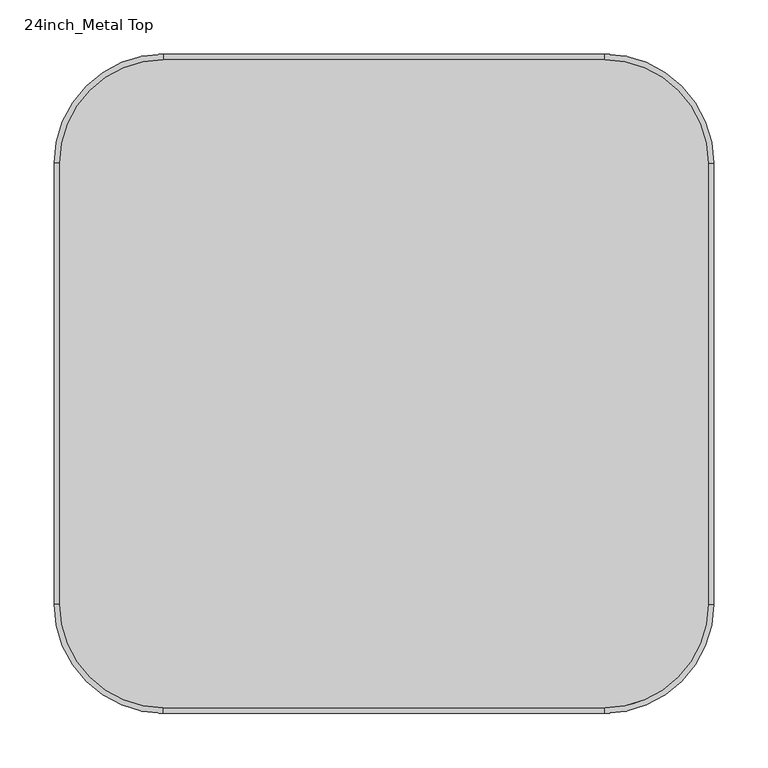
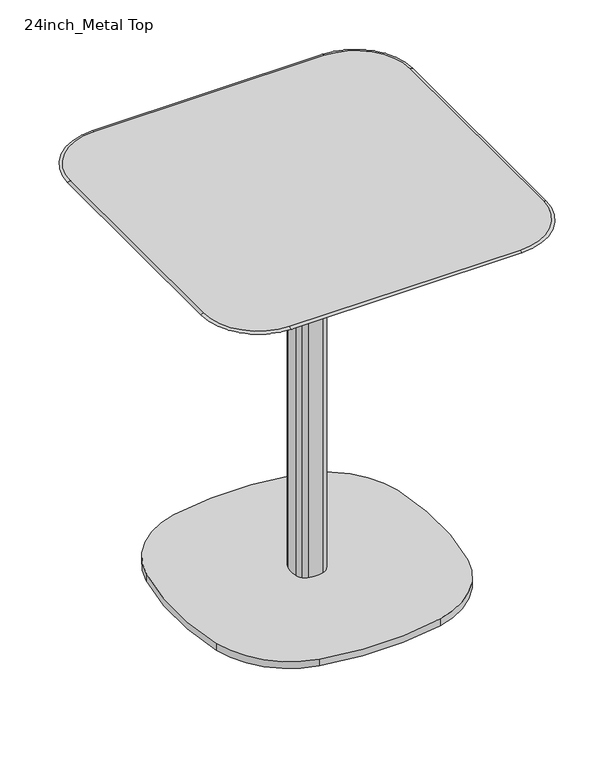
"""IFC4 building model written with IfcOpenShell, lengths in millimetres: furniture geometry, 24inch_Metal Top."""

from ifc_helpers import new_model, si_unit, point, frame, frame_2d, origin, origin_with_axes, place, context, project, spatial, polyline, circle_curve, ellipse_curve, trimmed, segment, composite_curve, outline, extrude, source, transform, mapped, element, save
from ifc_brep_helpers import plane_surface, cylinder_surface, revolved_surface, extruded_surface, advanced_brep


def furniture_24inch_metal_top_91e248c7(model_context):
    return source(origin(), model_context, "Body", "SolidModel", [
        extrude(outline(composite_curve([segment(trimmed(circle_curve(frame_2d((-70.0356851, 70.0293903)), 127.2377099), [point((-108.1503319, 191.4242359))], [point((-191.4305627, 108.1439351))], True, "CARTESIAN"), True, "CONTINUOUS"), segment(trimmed(circle_curve(frame_2d((-199.7825881, 110.7662339)), 8.7540151), [point((-191.4305627, 108.1439351))], [point((-208.1310524, 113.3998483))], False, "CARTESIAN"), True, "CONTINUOUS"), segment(trimmed(circle_curve(frame_2d((-69.7533973, 69.7471027)), 145.0997506), [point((-208.1310524, 113.3998483))], [point((-113.4062592, 208.1247211))], False, "CARTESIAN"), True, "CONTINUOUS"), segment(trimmed(circle_curve(frame_2d((-110.7726378, 199.7762591)), 8.7540151), [point((-113.4062592, 208.1247211))], [point((-108.1503319, 191.4242359))], False, "CARTESIAN"), True, "CONTINUOUS")], self_intersect=False)), origin_with_axes(), (0.0, 0.0, 1.0), 6.35),
        extrude(outline(composite_curve([segment(trimmed(circle_curve(frame_2d((110.7726378, 199.7762591)), 8.7540151), [point((108.1503319, 191.4242359))], [point((113.4062592, 208.1247211))], False, "CARTESIAN"), True, "CONTINUOUS"), segment(trimmed(circle_curve(frame_2d((69.7533973, 69.7471027)), 145.0997506), [point((113.4062592, 208.1247211))], [point((208.1310524, 113.3998483))], False, "CARTESIAN"), True, "CONTINUOUS"), segment(trimmed(circle_curve(frame_2d((199.7825881, 110.7662339)), 8.7540151), [point((208.1310524, 113.3998483))], [point((191.4305627, 108.1439351))], False, "CARTESIAN"), True, "CONTINUOUS"), segment(trimmed(circle_curve(frame_2d((70.0356851, 70.0293903)), 127.2377099), [point((191.4305627, 108.1439351))], [point((108.1503319, 191.4242359))], True, "CARTESIAN"), True, "CONTINUOUS")], self_intersect=False)), origin_with_axes(), (0.0, 0.0, 1.0), 6.35),
        extrude(outline(composite_curve([segment(trimmed(circle_curve(frame_2d((-110.7726378, -199.7762591)), 8.7540151), [point((-108.1503319, -191.4242359))], [point((-113.4062592, -208.1247211))], False, "CARTESIAN"), True, "CONTINUOUS"), segment(trimmed(circle_curve(frame_2d((-69.7533973, -69.7471027)), 145.0997506), [point((-113.4062592, -208.1247211))], [point((-208.1310524, -113.3998483))], False, "CARTESIAN"), True, "CONTINUOUS"), segment(trimmed(circle_curve(frame_2d((-199.7825881, -110.7662339)), 8.7540151), [point((-208.1310524, -113.3998483))], [point((-191.4305627, -108.1439351))], False, "CARTESIAN"), True, "CONTINUOUS"), segment(trimmed(circle_curve(frame_2d((-70.0356851, -70.0293903)), 127.2377099), [point((-191.4305627, -108.1439351))], [point((-108.1503319, -191.4242359))], True, "CARTESIAN"), True, "CONTINUOUS")], self_intersect=False)), origin_with_axes(), (0.0, 0.0, 1.0), 6.35),
        extrude(outline(composite_curve([segment(trimmed(circle_curve(frame_2d((70.0356851, -70.0293903)), 127.2377099), [point((108.1503319, -191.4242359))], [point((191.4305627, -108.1439351))], True, "CARTESIAN"), True, "CONTINUOUS"), segment(trimmed(circle_curve(frame_2d((199.7825881, -110.7662339)), 8.7540151), [point((191.4305627, -108.1439351))], [point((208.1310524, -113.3998483))], False, "CARTESIAN"), True, "CONTINUOUS"), segment(trimmed(circle_curve(frame_2d((69.7533973, -69.7471027)), 145.0997506), [point((208.1310524, -113.3998483))], [point((113.4062592, -208.1247211))], False, "CARTESIAN"), True, "CONTINUOUS"), segment(trimmed(circle_curve(frame_2d((110.7726378, -199.7762591)), 8.7540151), [point((113.4062592, -208.1247211))], [point((108.1503319, -191.4242359))], False, "CARTESIAN"), True, "CONTINUOUS")], self_intersect=False)), origin_with_axes(), (0.0, 0.0, 1.0), 6.35),
        extrude(outline(composite_curve([segment(trimmed(circle_curve(frame_2d((-1.52e-05, -264.9984059)), 498.8091745), [point((-106.9973051, 222.1998828))], [point((106.9973044, 222.1998763))], False, "CARTESIAN"), True, "CONTINUOUS"), segment(trimmed(circle_curve(frame_2d((74.5766641, 74.5767366)), 151.1412891), [point((106.9973044, 222.1998763))], [point((222.199873, 106.9970618))], False, "CARTESIAN"), True, "CONTINUOUS"), segment(trimmed(circle_curve(frame_2d((-265.0021506, 1.07e-05)), 498.8127712), [point((222.199873, 106.9970618))], [point((222.1998665, -106.9970699))], False, "CARTESIAN"), True, "CONTINUOUS"), segment(trimmed(circle_curve(frame_2d((74.5766596, -74.5767358)), 151.1412891), [point((222.1998665, -106.9970699))], [point((106.9972909, -222.1998774))], False, "CARTESIAN"), True, "CONTINUOUS"), segment(trimmed(circle_curve(frame_2d((9e-07, 264.9984113)), 498.8091745), [point((106.9972909, -222.1998774))], [point((-106.9973186, -222.1998709))], False, "CARTESIAN"), True, "CONTINUOUS"), segment(trimmed(circle_curve(frame_2d((-74.5766783, -74.5767313)), 151.1412891), [point((-106.9973186, -222.1998709))], [point((-222.1998327, -106.9973047))], False, "CARTESIAN"), True, "CONTINUOUS"), segment(trimmed(circle_curve(frame_2d((264.9994102, -5.4e-06)), 498.8101085), [point((-222.1998327, -106.9973047))], [point((-222.1998262, 106.9973236))], False, "CARTESIAN"), True, "CONTINUOUS"), segment(trimmed(circle_curve(frame_2d((-74.5766738, 74.5767412)), 151.1412891), [point((-222.1998262, 106.9973236))], [point((-106.9973051, 222.1998828))], False, "CARTESIAN"), True, "CONTINUOUS")], self_intersect=False)), frame((0.0, 0.0, 6.35), z_axis=(0.0, 0.0, 1.0), x_axis=(1.0, 0.0, 0.0)), (0.0, 0.0, 1.0), 12.7),
        extrude(outline(composite_curve([segment(trimmed(circle_curve(frame_2d((8.7753193, 8.7755063)), 18.0), [point((13.2749908, 26.2040162))], [point((26.2038254, 13.2751925))], False, "CARTESIAN"), True, "CONTINUOUS"), segment(trimmed(circle_curve(frame_2d((-25.2153248, -0.0001874)), 53.105223), [point((26.2038254, 13.2751925))], [point((26.2038365, -13.275524))], False, "CARTESIAN"), True, "CONTINUOUS"), segment(trimmed(circle_curve(frame_2d((8.7753267, -8.7758525)), 18.0), [point((26.2038365, -13.275524))], [point((13.2750121, -26.2043587))], False, "CARTESIAN"), True, "CONTINUOUS"), segment(trimmed(circle_curve(frame_2d((-8.86e-05, 25.2137188)), 53.1041147), [point((13.2750121, -26.2043587))], [point((-13.2751461, -26.2043699))], False, "CARTESIAN"), True, "CONTINUOUS"), segment(trimmed(circle_curve(frame_2d((-8.7754753, -8.7758598)), 18.0), [point((-13.2751461, -26.2043699))], [point((-21.503392, -21.5037873))], False, "CARTESIAN"), True, "CONTINUOUS"), segment(trimmed(circle_curve(frame_2d((-8.7754753, -8.7758598)), 18.0), [point((-21.503392, -21.5037873))], [point((-26.2039819, -13.2755439))], False, "CARTESIAN"), True, "CONTINUOUS"), segment(trimmed(circle_curve(frame_2d((25.215186, -0.0001662)), 53.1052397), [point((-26.2039819, -13.2755439))], [point((-26.2039931, 13.2751683))], False, "CARTESIAN"), True, "CONTINUOUS"), segment(trimmed(circle_curve(frame_2d((-8.7754827, 8.7754989)), 18.0), [point((-26.2039931, 13.2751683))], [point((-13.2751688, 26.204005))], False, "CARTESIAN"), True, "CONTINUOUS"), segment(trimmed(circle_curve(frame_2d((-6.74e-05, -25.2140669)), 53.1041094), [point((-13.2751688, 26.204005))], [point((13.2749908, 26.2040162))], False, "CARTESIAN"), True, "CONTINUOUS")], self_intersect=False)), frame((0.0, 0.0, 19.05), z_axis=(0.0, 0.0, 1.0), x_axis=(1.0, 0.0, 0.0)), (0.0, 0.0, 1.0), 689.61),
        advanced_brep(
        [(-248.810741, 203.8602009, 715.01), (-203.8602009, 248.810741, 715.01), (203.8602009, 248.810741, 715.01), (248.810741, 203.8602009, 715.01), (248.810741, -203.8602009, 715.01), (203.8602009, -248.810741, 715.01), (-203.8602009, -248.810741, 715.01), (-248.810741, -203.8602009, 715.01), (-203.8602009, 299.640625, 721.36), (-299.640625, 203.8602009, 721.36), (-299.640625, -203.8602009, 721.36), (-203.8602009, -299.640625, 721.36), (203.8602009, -299.640625, 721.36), (299.640625, -203.8602009, 721.36), (299.640625, 203.8602009, 721.36), (203.8602009, 299.640625, 721.36), (299.640625, 203.8602009, 718.185), (203.8602009, 299.640625, 718.185), (299.640625, -203.8602009, 718.185), (203.8602009, -299.640625, 718.185), (-203.8602009, -299.640625, 718.185), (-299.640625, -203.8602009, 718.185), (-299.640625, 203.8602009, 718.185), (-203.8602009, 299.640625, 718.185)],
        [
            (0, 1, circle_curve(frame((-203.8602009, 203.8602009, 715.01), z_axis=(0.0, 0.0, -1.0), x_axis=(0.0, 1.0, 0.0)), 44.9505402)),
            (1, 2),
            (2, 3, circle_curve(frame((203.8602009, 203.8602009, 715.01), z_axis=(0.0, 0.0, -1.0), x_axis=(1.0, 0.0, 0.0)), 44.9505402)),
            (3, 4),
            (4, 5, circle_curve(frame((203.8602009, -203.8602009, 715.01), z_axis=(0.0, 0.0, -1.0), x_axis=(0.0, -1.0, 0.0)), 44.9505402)),
            (5, 6),
            (6, 7, circle_curve(frame((-203.8602009, -203.8602009, 715.01), z_axis=(0.0, 0.0, -1.0), x_axis=(-1.0, 0.0, 0.0)), 44.9505402)),
            (7, 0),
            (8, 9, circle_curve(frame((-203.8602009, 203.8602009, 721.36), z_axis=(0.0, 0.0, 1.0), x_axis=(-1.0, 0.0, 0.0)), 95.7804241)),
            (9, 10),
            (10, 11, circle_curve(frame((-203.8602009, -203.8602009, 721.36), z_axis=(0.0, 0.0, 1.0), x_axis=(0.0, -1.0, 0.0)), 95.7804241)),
            (11, 12),
            (12, 13, circle_curve(frame((203.8602009, -203.8602009, 721.36), z_axis=(0.0, 0.0, 1.0), x_axis=(1.0, 0.0, 0.0)), 95.7804241)),
            (13, 14),
            (14, 15, circle_curve(frame((203.8602009, 203.8602009, 721.36), z_axis=(0.0, 0.0, 1.0), x_axis=(0.0, 1.0, 0.0)), 95.7804241)),
            (15, 8),
            (14, 16, ellipse_curve(frame((299.640625, 203.8602009, 719.7725), z_axis=(0.0, 1.0, 0.0), x_axis=(1.0, 0.0, 0.0)), 5.159375, 1.5875)),
            (16, 17, circle_curve(frame((203.8602009, 203.8602009, 718.185), z_axis=(0.0, 0.0, 1.0), x_axis=(0.0, 1.0, 0.0)), 95.7804241)),
            (17, 15, ellipse_curve(frame((203.8602009, 299.640625, 719.7725), z_axis=(1.0, 0.0, 0.0), x_axis=(0.0, 1.0, 0.0)), 5.159375, 1.5875)),
            (13, 18, ellipse_curve(frame((299.640625, -203.8602009, 719.7725), z_axis=(0.0, 1.0, 0.0), x_axis=(1.0, 0.0, 0.0)), 5.159375, 1.5875)),
            (18, 16),
            (12, 19, ellipse_curve(frame((203.8602009, -299.640625, 719.7725), z_axis=(1.0, 0.0, 0.0), x_axis=(0.0, -1.0, 0.0)), 5.159375, 1.5875)),
            (19, 18, circle_curve(frame((203.8602009, -203.8602009, 718.185), z_axis=(0.0, 0.0, 1.0), x_axis=(1.0, 0.0, 0.0)), 95.7804241)),
            (11, 20, ellipse_curve(frame((-203.8602009, -299.640625, 719.7725), z_axis=(1.0, 0.0, 0.0), x_axis=(0.0, -1.0, 0.0)), 5.159375, 1.5875)),
            (20, 19),
            (10, 21, ellipse_curve(frame((-299.640625, -203.8602009, 719.7725), z_axis=(0.0, -1.0, 0.0), x_axis=(-1.0, 0.0, 0.0)), 5.159375, 1.5875)),
            (21, 20, circle_curve(frame((-203.8602009, -203.8602009, 718.185), z_axis=(0.0, 0.0, 1.0), x_axis=(0.0, -1.0, 0.0)), 95.7804241)),
            (9, 22, ellipse_curve(frame((-299.640625, 203.8602009, 719.7725), z_axis=(0.0, -1.0, 0.0), x_axis=(-1.0, 0.0, 0.0)), 5.159375, 1.5875)),
            (22, 21),
            (8, 23, ellipse_curve(frame((-203.8602009, 299.640625, 719.7725), z_axis=(-1.0, 0.0, 0.0), x_axis=(0.0, 1.0, 0.0)), 5.159375, 1.5875)),
            (23, 22, circle_curve(frame((-203.8602009, 203.8602009, 718.185), z_axis=(0.0, 0.0, 1.0), x_axis=(-1.0, 0.0, 0.0)), 95.7804241)),
            (17, 23),
            (23, 1, circle_curve(frame((-203.8602009, 209.8005151, 1748.006574), z_axis=(-1.0, 0.0, 0.0), x_axis=(0.0, -1.0, 0.0)), 1033.7329054)),
            (0, 22, circle_curve(frame((-209.8005151, 203.8602009, 1748.006574), z_axis=(0.0, 1.0, 0.0), x_axis=(1.0, 0.0, 0.0)), 1033.7329054)),
            (7, 21, circle_curve(frame((-209.8005151, -203.8602009, 1748.006574), z_axis=(0.0, 1.0, 0.0), x_axis=(1.0, 0.0, 0.0)), 1033.7329054)),
            (6, 20, circle_curve(frame((-203.8602009, -209.8005151, 1748.006574), z_axis=(-1.0, 0.0, 0.0), x_axis=(0.0, 1.0, 0.0)), 1033.7329054)),
            (5, 19, circle_curve(frame((203.8602009, -209.8005151, 1748.006574), z_axis=(-1.0, 0.0, 0.0), x_axis=(0.0, 1.0, 0.0)), 1033.7329054)),
            (4, 18, circle_curve(frame((209.8005151, -203.8602009, 1748.006574), z_axis=(0.0, -1.0, 0.0), x_axis=(-1.0, 0.0, 0.0)), 1033.7329054)),
            (3, 16, circle_curve(frame((209.8005151, 203.8602009, 1748.006574), z_axis=(0.0, -1.0, 0.0), x_axis=(-1.0, 0.0, 0.0)), 1033.7329054)),
            (2, 17, circle_curve(frame((203.8602009, 209.8005151, 1748.006574), z_axis=(1.0, 0.0, 0.0), x_axis=(0.0, -1.0, 0.0)), 1033.7329054)),
        ],
        [
            plane_surface(frame((-203.8602009, 248.810741, 715.01), z_axis=(0.0, 0.0, -1.0), x_axis=(1.0, 0.0, 0.0))),
            plane_surface(frame((-203.8602009, 203.8602009, 721.36), z_axis=(0.0, 0.0, 1.0), x_axis=(-1.0, 0.0, 0.0))),
            revolved_surface(trimmed(ellipse_curve(frame((203.8602009, 299.640625, 719.7725), z_axis=(-1.0, 0.0, 0.0), x_axis=(0.0, 0.0, 1.0)), 1.5875, 5.159375), [point((203.8602009, 299.640625, 721.36))], [point((203.8602009, 299.640625, 718.185))], True, "CARTESIAN"), (203.8602009, 203.8602009, 721.36), (0.0, 0.0, -1.0)),
            extruded_surface(trimmed(ellipse_curve(frame((299.640625, -203.8602009, 719.7725), z_axis=(0.0, 1.0, 0.0), x_axis=(0.0, 0.0, 1.0)), 1.5875, 5.159375), [point((299.640625, -203.8602009, 721.36))], [point((299.640625, -203.8602009, 718.185))], True, "CARTESIAN"), (0.0, 407.7204018, 0.0), 407.7204018),
            revolved_surface(trimmed(ellipse_curve(frame((299.640625, -203.8602009, 719.7725), z_axis=(0.0, 1.0, 0.0), x_axis=(0.0, 0.0, 1.0)), 1.5875, 5.159375), [point((299.640625, -203.8602009, 721.36))], [point((299.640625, -203.8602009, 718.185))], True, "CARTESIAN"), (203.8602009, -203.8602009, 721.36), (0.0, 0.0, -1.0)),
            extruded_surface(trimmed(ellipse_curve(frame((-203.8602009, -299.640625, 719.7725), z_axis=(1.0, 0.0, 0.0), x_axis=(0.0, 0.0, 1.0)), 1.5875, 5.159375), [point((-203.8602009, -299.640625, 721.36))], [point((-203.8602009, -299.640625, 718.185))], True, "CARTESIAN"), (407.7204018, 0.0, 0.0), 407.7204018),
            revolved_surface(trimmed(ellipse_curve(frame((-203.8602009, -299.640625, 719.7725), z_axis=(1.0, 0.0, 0.0), x_axis=(0.0, 0.0, 1.0)), 1.5875, 5.159375), [point((-203.8602009, -299.640625, 721.36))], [point((-203.8602009, -299.640625, 718.185))], True, "CARTESIAN"), (-203.8602009, -203.8602009, 721.36), (0.0, 0.0, -1.0)),
            extruded_surface(trimmed(ellipse_curve(frame((-299.640625, 203.8602009, 719.7725), z_axis=(0.0, -1.0, 0.0), x_axis=(0.0, 0.0, 1.0)), 1.5875, 5.159375), [point((-299.640625, 203.8602009, 721.36))], [point((-299.640625, 203.8602009, 718.185))], True, "CARTESIAN"), (0.0, -407.7204018, 0.0), 407.7204018),
            revolved_surface(trimmed(ellipse_curve(frame((-299.640625, 203.8602009, 719.7725), z_axis=(0.0, -1.0, 0.0), x_axis=(0.0, 0.0, 1.0)), 1.5875, 5.159375), [point((-299.640625, 203.8602009, 721.36))], [point((-299.640625, 203.8602009, 718.185))], True, "CARTESIAN"), (-203.8602009, 203.8602009, 721.36), (0.0, 0.0, -1.0)),
            extruded_surface(trimmed(ellipse_curve(frame((203.8602009, 299.640625, 719.7725), z_axis=(-1.0, 0.0, 0.0), x_axis=(0.0, 0.0, 1.0)), 1.5875, 5.159375), [point((203.8602009, 299.640625, 721.36))], [point((203.8602009, 299.640625, 718.185))], True, "CARTESIAN"), (-407.7204018, 0.0, 0.0), 407.7204018),
            revolved_surface(trimmed(ellipse_curve(frame((-203.8602009, 209.8005151, 1748.006574), z_axis=(1.0, 0.0, 0.0), x_axis=(0.0, -1.0, 0.0)), 1033.7329054, 1033.7329054), [point((-203.8602009, 248.810741, 715.01))], [point((-203.8602009, 299.640625, 718.185))], True, "CARTESIAN"), (-203.8602009, 203.8602009, 721.36), (0.0, 0.0, 1.0)),
            cylinder_surface(frame((-209.8005151, 203.8602009, 1748.006574), z_axis=(0.0, 1.0, 0.0), x_axis=(1.0, 0.0, 0.0)), 1033.7329054),
            revolved_surface(trimmed(ellipse_curve(frame((-209.8005151, -203.8602009, 1748.006574), z_axis=(0.0, 1.0, 0.0), x_axis=(1.0, 0.0, 0.0)), 1033.7329054, 1033.7329054), [point((-248.810741, -203.8602009, 715.01))], [point((-299.640625, -203.8602009, 718.185))], True, "CARTESIAN"), (-203.8602009, -203.8602009, 721.36), (0.0, 0.0, 1.0)),
            cylinder_surface(frame((-203.8602009, -209.8005151, 1748.006574), z_axis=(-1.0, 0.0, 0.0), x_axis=(0.0, 1.0, 0.0)), 1033.7329054),
            revolved_surface(trimmed(ellipse_curve(frame((203.8602009, -209.8005151, 1748.006574), z_axis=(-1.0, 0.0, 0.0), x_axis=(0.0, 1.0, 0.0)), 1033.7329054, 1033.7329054), [point((203.8602009, -248.810741, 715.01))], [point((203.8602009, -299.640625, 718.185))], True, "CARTESIAN"), (203.8602009, -203.8602009, 721.36), (0.0, 0.0, 1.0)),
            cylinder_surface(frame((209.8005151, -203.8602009, 1748.006574), z_axis=(0.0, -1.0, 0.0), x_axis=(-1.0, 0.0, 0.0)), 1033.7329054),
            revolved_surface(trimmed(ellipse_curve(frame((209.8005151, 203.8602009, 1748.006574), z_axis=(0.0, -1.0, 0.0), x_axis=(-1.0, 0.0, 0.0)), 1033.7329054, 1033.7329054), [point((248.810741, 203.8602009, 715.01))], [point((299.640625, 203.8602009, 718.185))], True, "CARTESIAN"), (203.8602009, 203.8602009, 721.36), (0.0, 0.0, 1.0)),
            cylinder_surface(frame((203.8602009, 209.8005151, 1748.006574), z_axis=(1.0, 0.0, 0.0), x_axis=(0.0, -1.0, 0.0)), 1033.7329054),
        ],
        [
            (0, [[1, 2, 3, 4, 5, 6, 7, 8]]),
            (1, [[9, 10, 11, 12, 13, 14, 15, 16]]),
            (2, [[-15, 17, 18, 19]]),
            (3, [[-14, 20, 21, -17]]),
            (4, [[-13, 22, 23, -20]]),
            (5, [[-12, 24, 25, -22]]),
            (6, [[-11, 26, 27, -24]]),
            (7, [[-10, 28, 29, -26]]),
            (8, [[-9, 30, 31, -28]]),
            (9, [[-16, -19, 32, -30]]),
            (10, [[33, -1, 34, -31]]),
            (11, [[-34, -8, 35, -29]]),
            (12, [[-35, -7, 36, -27]]),
            (13, [[-36, -6, 37, -25]]),
            (14, [[-37, -5, 38, -23]]),
            (15, [[-38, -4, 39, -21]]),
            (16, [[-39, -3, 40, -18]]),
            (17, [[-33, -32, -40, -2]]),
        ],
    ),
        extrude(outline(polyline([(-160.0063704, -160.0), (-160.0063704, 160.0), (159.9936296, 160.0), (159.9936296, -160.0), (-160.0063704, -160.0)])), frame((0.0, 0.0, 708.66), z_axis=(0.0, 0.0, 1.0), x_axis=(1.0, 0.0, 0.0)), (0.0, 0.0, 1.0), 6.35),
    ])


if __name__ == "__main__":
    model = new_model("IFC4")
    model_context = context("Model", 3, world=origin())
    ifc_project = project(units=[si_unit("LENGTHUNIT", "METRE", prefix="MILLI")], contexts=[model_context])
    site = spatial("IfcSite", under=ifc_project)
    building = spatial("IfcBuilding", under=site)
    placement = place(None, origin())
    furniture_24inch_metal_top_shape = furniture_24inch_metal_top_91e248c7(model_context)
    element("IfcFurniture", 1, ObjectType="24inch_Metal Top", at=placement, inside=building, context=model_context, shape_type="MappedRepresentation", body=[
        mapped(furniture_24inch_metal_top_shape, transform((0.0, 0.0, 0.0), x_axis=(1.0, 0.0, 0.0), y_axis=(0.0, 1.0, 0.0), z_axis=(0.0, 0.0, 1.0))),
    ])
    save(model, "model.ifc")
